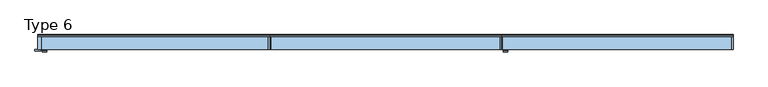
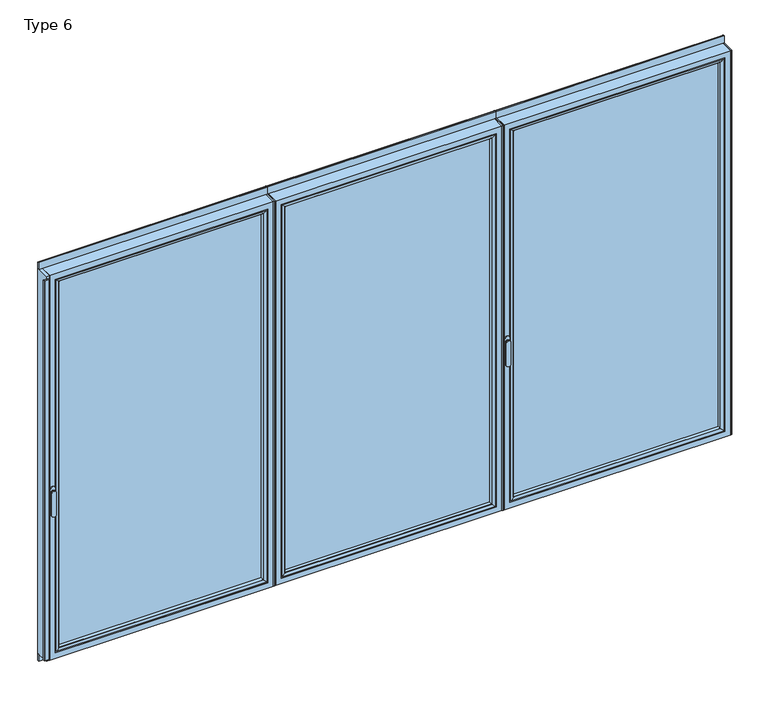
"""IFC4 building model written with IfcOpenShell, lengths in millimetres: window geometry, Type 6."""

from ifc_helpers import new_model, si_unit, point, frame, frame_2d, origin, place, context, project, spatial, polyline, circle_curve, ellipse_curve, trimmed, segment, composite_curve, outline, extrude, source, transform, mapped, element, save
from ifc_brep_helpers import plane_surface, cylinder_surface, extruded_surface, advanced_brep


def type_6_ca5c387b(model_context):
    return source(origin(), model_context, "Body", "SolidModel", [
        advanced_brep(
        [(47.9886473, -63.5, 1050.0), (24.0113857, -63.5, 1050.0), (47.9886473, -66.8965533, 1050.0), (24.0113857, -66.8965533, 1050.0), (47.9886473, -74.5, 1050.0), (24.0113857, -74.5, 1050.0), (24.0113857, -74.5, 918.6867153), (47.9886473, -74.5, 918.6867153), (47.9886473, -66.8965533, 918.6867153), (24.0113857, -66.8965533, 918.6867153)],
        [
            (0, 1, circle_curve(frame((36.0000165, -63.5, 1050.0), z_axis=(0.0, 1.0, 0.0), x_axis=(-1.0, 0.0, 0.0)), 11.9886308)),
            (1, 0, circle_curve(frame((36.0000165, -63.5, 1050.0), z_axis=(0.0, 1.0, 0.0), x_axis=(-1.0, 0.0, 0.0)), 11.9886308)),
            (0, 2),
            (2, 3, circle_curve(frame((36.0000165, -66.8965533, 1050.0), z_axis=(0.0, 1.0, 0.0), x_axis=(-1.0, 0.0, 0.0)), 11.9886308)),
            (3, 1),
            (3, 2, circle_curve(frame((36.0000165, -66.8965533, 1050.0), z_axis=(0.0, 1.0, 0.0), x_axis=(-1.0, 0.0, 0.0)), 11.9886308)),
            (4, 5, circle_curve(frame((36.0000165, -74.5, 1050.0), z_axis=(0.0, -1.0, 0.0), x_axis=(-1.0, 0.0, 0.0)), 11.9886308)),
            (5, 6),
            (6, 7, ellipse_curve(frame((36.0000165, -74.5, 918.6867153), z_axis=(0.0, -1.0, 0.0), x_axis=(1.0, 0.0, 0.0)), 11.9886308, 7.9050795)),
            (7, 4),
            (2, 8),
            (8, 9, ellipse_curve(frame((36.0000165, -66.8965533, 918.6867153), z_axis=(0.0, 1.0, 0.0), x_axis=(1.0, 0.0, 0.0)), 11.9886308, 7.9050795)),
            (9, 3),
            (7, 8),
            (2, 4),
            (6, 9),
            (5, 3),
        ],
        [
            plane_surface(frame((24.0113857, -63.5, 1050.0), z_axis=(0.0, 1.0, 0.0), x_axis=(0.0, 0.0, -1.0))),
            cylinder_surface(frame((36.0000165, -63.5, 1050.0), z_axis=(0.0, -1.0, 0.0), x_axis=(-1.0, 0.0, 0.0)), 11.9886308),
            plane_surface(frame((47.9886473, -74.5, 928.3382074), z_axis=(0.0, -1.0, 0.0), x_axis=(0.0, 0.0, -1.0))),
            plane_surface(frame((47.9886473, -66.8965533, 928.3382074), z_axis=(0.0, 1.0, 0.0), x_axis=(0.0, 0.0, 1.0))),
            plane_surface(frame((47.9886473, -74.5, 1050.0), z_axis=(1.0, 0.0, 0.0), x_axis=(0.0, 1.0, 0.0))),
            extruded_surface(trimmed(ellipse_curve(frame((36.0000165, -66.8965533, 918.6867153), z_axis=(0.0, 1.0, 0.0), x_axis=(1.0, 0.0, 0.0)), 11.9886308, 7.9050795), [point((47.9886473, -66.8965533, 918.6867153))], [point((24.0113857, -66.8965533, 918.6867153))], True, "CARTESIAN"), (0.0, 7.603446699999992, 0.0), 7.603446699999992),
            plane_surface(frame((24.0113857, -74.5, 918.6867153), z_axis=(-1.0, 0.0, 0.0), x_axis=(0.0, 1.0, 0.0))),
            cylinder_surface(frame((36.0000165, -66.8965533, 1050.0), z_axis=(0.0, -1.0, 0.0), x_axis=(-1.0, 0.0, 0.0)), 11.9886308),
        ],
        [
            (0, [[1, 2]]),
            (1, [[3, 4, 5, -1]]),
            (1, [[-5, 6, -3, -2]]),
            (2, [[7, 8, 9, 10]]),
            (3, [[-4, 11, 12, 13]]),
            (4, [[14, -11, 15, -10]]),
            (5, [[16, -12, -14, -9]]),
            (6, [[17, -13, -16, -8]]),
            (7, [[-15, -6, -17, -7]]),
        ],
    ),
        extrude(outline(composite_curve([segment(trimmed(circle_curve(frame_2d((1068.75, 36.0000165)), 14.0), [point((1068.75, 50.0000165))], [point((1068.75, 22.0000165))], False, "CARTESIAN"), True, "CONTINUOUS"), segment(polyline([(1068.75, 22.0000165), (1031.25, 22.0000165)]), True, "CONTINUOUS"), segment(trimmed(circle_curve(frame_2d((1031.25, 36.0000165)), 14.0), [point((1031.25, 22.0000165))], [point((1031.25, 50.0000165))], False, "CARTESIAN"), True, "CONTINUOUS"), segment(polyline([(1031.25, 50.0000165), (1068.75, 50.0000165)]), True, "CONTINUOUS")], self_intersect=False)), frame((0.0, -63.5, 0.0), z_axis=(0.0, 1.0, 0.0), x_axis=(0.0, 0.0, 1.0)), (0.0, 0.0, 1.0), 3.5),
        extrude(outline(composite_curve([segment(polyline([(15.5000165, -60.0), (15.5000165, -67.5)]), True, "CONTINUOUS"), segment(trimmed(circle_curve(frame_2d((13.0000165, -67.5)), 2.5), [point((15.5000165, -67.5))], [point((13.0000165, -70.0))], False, "CARTESIAN"), True, "CONTINUOUS"), segment(polyline([(13.0000165, -70.0), (-12.9999835, -70.0)]), True, "CONTINUOUS"), segment(trimmed(circle_curve(frame_2d((-12.9999835, -67.5)), 2.5), [point((-12.9999835, -70.0))], [point((-15.4999835, -67.5))], False, "CARTESIAN"), True, "CONTINUOUS"), segment(polyline([(-15.4999835, -67.5), (-15.4999835, -60.0), (15.5000165, -60.0)]), True, "CONTINUOUS")], self_intersect=False)), frame((0.0, 0.0, 80.0), z_axis=(0.0, 0.0, 1.0), x_axis=(1.0, 0.0, 0.0)), (0.0, 0.0, 1.0), 2230.0),
        extrude(outline(polyline([(1268.6666832, 20.0), (1268.6666832, -60.0), (1262.6666832, -60.0), (1262.6666832, 20.0), (1268.6666832, 20.0)])), frame((0.0, 0.0, 66.0), z_axis=(0.0, 0.0, 1.0), x_axis=(1.0, 0.0, 0.0)), (0.0, 0.0, 1.0), 2258.0),
        extrude(outline(polyline([(1.65e-05, 20.0), (20.0000165, 20.0), (20.0000165, -60.0), (1.65e-05, -60.0), (1.65e-05, 20.0)])), frame((0.0, 0.0, 66.0), z_axis=(0.0, 0.0, 1.0), x_axis=(1.0, 0.0, 0.0)), (0.0, 0.0, 1.0), 2258.0),
        advanced_brep(
        [(1262.6666832, -60.0, 2324.0), (1262.6666832, -60.0, 66.0), (1262.6666832, 20.0, 66.0), (1262.6666832, 20.0, 2324.0), (20.0000165, -60.0, 66.0), (20.0000165, 20.0, 66.0), (20.0000165, 20.0, 2324.0), (65.4996458, 20.0, 111.4996293), (1217.1670539, 20.0, 111.4996293), (1217.1670539, 20.0, 2278.5003707), (65.4996458, 20.0, 2278.5003707), (20.0000165, -60.0, 2324.0), (1230.6666832, -60.0, 98.0), (52.0000165, -60.0, 98.0), (52.0000165, -60.0, 2292.0), (1230.6666832, -60.0, 2292.0), (1230.6666832, 3.9999997, 2292.0), (1230.6666832, 3.9999997, 98.0), (52.0000165, 3.9999997, 98.0), (52.0000165, 3.9999997, 2292.0), (1212.6666712, 3.9999997, 116.000012), (70.0000285, 3.9999997, 116.000012), (70.0000285, 3.9999997, 2273.999988), (1212.6666712, 3.9999997, 2273.999988), (1212.6666712, 15.4995565, 2273.999988), (1212.6666712, 15.4995565, 116.000012), (70.0000285, 15.4995565, 116.000012), (70.0000285, 15.4995565, 2273.999988)],
        [
            (0, 1),
            (1, 2),
            (2, 3),
            (3, 0),
            (1, 4),
            (4, 5),
            (5, 2),
            (5, 6),
            (6, 3),
            (7, 8),
            (8, 9),
            (9, 10),
            (10, 7),
            (4, 11),
            (11, 6),
            (0, 11),
            (12, 13),
            (13, 14),
            (14, 15),
            (15, 12),
            (16, 17),
            (17, 12),
            (15, 16),
            (17, 18),
            (18, 13),
            (18, 19),
            (19, 14),
            (16, 19),
            (20, 21),
            (21, 22),
            (22, 23),
            (23, 20),
            (24, 25),
            (25, 20),
            (23, 24),
            (25, 26),
            (26, 21),
            (26, 27),
            (27, 22),
            (7, 26, ellipse_curve(frame((65.4996458, 15.4995565, 111.4996293), z_axis=(0.7071067811865475, 0.0, -0.7071067811865475), x_axis=(0.7071067811865476, 0.0, 0.7071067811865474)), 6.3645023, 4.5003827)),
            (25, 8, ellipse_curve(frame((1217.1670539, 15.4995565, 111.4996293), z_axis=(-0.7071067811865475, 0.0, -0.7071067811865475), x_axis=(0.7071067811865476, 0.0, -0.7071067811865474)), 6.3645023, 4.5003827)),
            (24, 9, ellipse_curve(frame((1217.1670539, 15.4995565, 2278.5003707), z_axis=(0.7071067811865475, 0.0, -0.7071067811865475), x_axis=(0.7071067811865474, 0.0, 0.7071067811865476)), 6.3645023, 4.5003827)),
            (10, 27, ellipse_curve(frame((65.4996458, 15.4995565, 2278.5003707), z_axis=(-0.7071067811865475, 0.0, -0.7071067811865475), x_axis=(0.7071067811865474, 0.0, -0.7071067811865476)), 6.3645023, 4.5003827)),
            (27, 24),
        ],
        [
            plane_surface(frame((1262.6666832, 20.0, 2324.0), z_axis=(1.0, 0.0, 0.0), x_axis=(0.0, 0.0, -1.0))),
            plane_surface(frame((1262.6666832, 20.0, 66.0), z_axis=(0.0, 0.0, -1.0), x_axis=(-1.0, 0.0, 0.0))),
            plane_surface(frame((1217.1670539, 20.0, 2278.5003707), z_axis=(0.0, 1.0, 0.0), x_axis=(0.0, 0.0, -1.0))),
            plane_surface(frame((20.0000165, 20.0, 66.0), z_axis=(-1.0, 0.0, 0.0), x_axis=(0.0, 0.0, 1.0))),
            plane_surface(frame((1262.6666832, -60.0, 2324.0), z_axis=(0.0, -1.0, 0.0), x_axis=(0.0, 0.0, -1.0))),
            plane_surface(frame((1230.6666832, -60.0, 2292.0), z_axis=(-1.0, 0.0, 0.0), x_axis=(0.0, 0.0, -1.0))),
            plane_surface(frame((1230.6666832, -60.0, 98.0), z_axis=(0.0, 0.0, 1.0), x_axis=(-1.0, 0.0, 0.0))),
            plane_surface(frame((52.0000165, -60.0, 98.0), z_axis=(1.0, 0.0, 0.0), x_axis=(0.0, 0.0, 1.0))),
            plane_surface(frame((1230.6666832, 3.9999997, 2292.0), z_axis=(0.0, -1.0, 0.0), x_axis=(0.0, 0.0, -1.0))),
            plane_surface(frame((1212.6666712, 3.9999997, 2273.999988), z_axis=(-1.0, 0.0, 0.0), x_axis=(0.0, 0.0, -1.0))),
            plane_surface(frame((1212.6666712, 3.9999997, 116.000012), z_axis=(0.0, 0.0, 1.0), x_axis=(-1.0, 0.0, 0.0))),
            plane_surface(frame((70.0000285, 3.9999997, 116.000012), z_axis=(1.0, 0.0, 0.0), x_axis=(0.0, 0.0, 1.0))),
            cylinder_surface(frame((1268.6666832, 15.4995565, 111.4996293), z_axis=(1.0, 0.0, 0.0), x_axis=(0.0, -1.0, 0.0)), 4.5003827),
            cylinder_surface(frame((1217.1670539, 15.4995565, 2330.0), z_axis=(0.0, 0.0, 1.0), x_axis=(0.0, -1.0, 0.0)), 4.5003827),
            cylinder_surface(frame((65.4996458, 15.4995565, 60.0), z_axis=(0.0, 0.0, -1.0), x_axis=(0.0, -1.0, 0.0)), 4.5003827),
            plane_surface(frame((20.0000165, 20.0, 2324.0), z_axis=(0.0, 0.0, 1.0), x_axis=(1.0, 0.0, 0.0))),
            plane_surface(frame((52.0000165, -60.0, 2292.0), z_axis=(0.0, 0.0, -1.0), x_axis=(1.0, 0.0, 0.0))),
            plane_surface(frame((70.0000285, 3.9999997, 2273.999988), z_axis=(0.0, 0.0, -1.0), x_axis=(1.0, 0.0, 0.0))),
            cylinder_surface(frame((14.0000165, 15.4995565, 2278.5003707), z_axis=(-1.0, 0.0, 0.0), x_axis=(0.0, -1.0, 0.0)), 4.5003827),
        ],
        [
            (0, [[1, 2, 3, 4]]),
            (1, [[5, 6, 7, -2]]),
            (2, [[-7, 8, 9, -3], [10, 11, 12, 13]]),
            (3, [[14, 15, -8, -6]]),
            (4, [[-5, -1, 16, -14], [17, 18, 19, 20]]),
            (5, [[21, 22, -20, 23]]),
            (6, [[24, 25, -17, -22]]),
            (7, [[26, 27, -18, -25]]),
            (8, [[-24, -21, 28, -26], [29, 30, 31, 32]]),
            (9, [[33, 34, -32, 35]]),
            (10, [[36, 37, -29, -34]]),
            (11, [[38, 39, -30, -37]]),
            (12, [[-10, 40, -36, 41]]),
            (13, [[-11, -41, -33, 42]]),
            (14, [[-13, 43, -38, -40]]),
            (15, [[-16, -4, -9, -15]]),
            (16, [[-28, -23, -19, -27]]),
            (17, [[44, -35, -31, -39]]),
            (18, [[-12, -42, -44, -43]]),
        ],
    ),
        extrude(outline(polyline([(1230.666366, 3.9999997), (1230.666366, -34.0000003), (52.0003337, -34.0000003), (52.0003337, 3.9999997), (1230.666366, 3.9999997)])), frame((0.0, 0.0, 98.0003172), z_axis=(0.0, 0.0, 1.0), x_axis=(1.0, 0.0, 0.0)), (0.0, 0.0, 1.0), 2193.9993657),
        advanced_brep(
        [(73.9999064, -54.5552044, 2270.0001101), (73.9999064, -54.5552044, 119.9998899), (73.9999064, -34.0000003, 119.9998899), (73.9999064, -34.0000003, 2270.0001101), (52.0003337, -34.0000003, 2291.9996828), (1230.666366, -34.0000003, 2291.9996828), (1230.666366, -34.0000003, 98.0003172), (52.0003337, -34.0000003, 98.0003172), (1208.6667933, -34.0000003, 2270.0001101), (1208.6667933, -34.0000003, 119.9998899), (1208.6667933, -54.5552044, 119.9998899), (73.290363, -55.8045072, 2270.7096535), (73.290363, -55.8045072, 119.2903465), (1209.3763367, -55.8045072, 119.2903465), (58.0002726, -60.0, 2285.9997439), (58.0002726, -60.0, 104.0002561), (1224.6664271, -60.0, 104.0002561), (1230.666366, -60.0, 2291.9996828), (52.0003337, -60.0, 2291.9996828), (52.0003337, -60.0, 98.0003172), (1230.666366, -60.0, 98.0003172), (1224.6664271, -60.0, 2285.9997439), (1208.6667933, -54.5552044, 2270.0001101), (1209.3763367, -55.8045072, 2270.7096535)],
        [
            (0, 1),
            (1, 2),
            (2, 3),
            (3, 0),
            (4, 5),
            (5, 6),
            (6, 7),
            (7, 4),
            (8, 3),
            (2, 9),
            (9, 8),
            (1, 10),
            (10, 9),
            (11, 12),
            (12, 1, ellipse_curve(frame((72.5453024, -54.5552044, 118.5452859), z_axis=(-0.7071067811865475, 0.0, 0.7071067811865475), x_axis=(0.7071067811865474, 0.0, 0.7071067811865476)), 2.0571207, 1.454604)),
            (0, 11, ellipse_curve(frame((72.5453024, -54.5552044, 2271.4547141), z_axis=(-0.7071067811865475, 0.0, -0.7071067811865475), x_axis=(-0.7071067811865474, 0.0, 0.7071067811865476)), 2.0571207, 1.454604)),
            (12, 13),
            (13, 10, ellipse_curve(frame((1210.1213972, -54.5552044, 118.5452859), z_axis=(-0.7071067811865475, 0.0, -0.7071067811865475), x_axis=(-0.7071067811865476, 0.0, 0.7071067811865474)), 2.0571207, 1.454604)),
            (14, 15),
            (15, 12, ellipse_curve(frame((58.0642082, -30.2735922, 104.0641917), z_axis=(-0.7071067811865475, 0.0, 0.7071067811865475), x_axis=(0.7071067811865474, 0.0, 0.7071067811865476)), 42.0395863, 29.7264765)),
            (11, 14, ellipse_curve(frame((58.0642082, -30.2735922, 2285.9358083), z_axis=(-0.7071067811865475, 0.0, -0.7071067811865475), x_axis=(-0.7071067811865474, 0.0, 0.7071067811865476)), 42.0395863, 29.7264765)),
            (15, 16),
            (16, 13, ellipse_curve(frame((1224.6024915, -30.2735922, 104.0641917), z_axis=(-0.7071067811865475, 0.0, -0.7071067811865475), x_axis=(-0.7071067811865476, 0.0, 0.7071067811865474)), 42.0395863, 29.7264765)),
            (17, 18),
            (18, 19),
            (19, 20),
            (20, 17),
            (14, 21),
            (21, 16),
            (7, 19),
            (18, 4),
            (6, 20),
            (10, 22),
            (22, 8),
            (13, 23),
            (23, 22, ellipse_curve(frame((1210.1213972, -54.5552044, 2271.4547141), z_axis=(0.7071067811865475, 0.0, -0.7071067811865475), x_axis=(-0.7071067811865474, 0.0, -0.7071067811865476)), 2.0571207, 1.454604)),
            (21, 23, ellipse_curve(frame((1224.6024915, -30.2735922, 2285.9358083), z_axis=(0.7071067811865475, 0.0, -0.7071067811865475), x_axis=(-0.7071067811865474, 0.0, -0.7071067811865476)), 42.0395863, 29.7264765)),
            (5, 17),
            (22, 0),
            (23, 11),
        ],
        [
            plane_surface(frame((73.9999064, -34.0000003, 2270.0001101), z_axis=(1.0, 0.0, 0.0), x_axis=(0.0, 0.0, -1.0))),
            plane_surface(frame((1230.666366, -34.0000003, 98.0003172), z_axis=(0.0, 1.0, 0.0), x_axis=(0.0, 0.0, 1.0))),
            plane_surface(frame((73.9999064, -34.0000003, 119.9998899), z_axis=(0.0, 0.0, 1.0), x_axis=(1.0, 0.0, 0.0))),
            cylinder_surface(frame((72.5453024, -54.5552044, 2273.999988), z_axis=(0.0, 0.0, 1.0), x_axis=(-1.0, 0.0, 0.0)), 1.454604),
            cylinder_surface(frame((70.0000285, -54.5552044, 118.5452859), z_axis=(-1.0, 0.0, 0.0), x_axis=(0.0, 0.0, -1.0)), 1.454604),
            cylinder_surface(frame((58.0642082, -30.2735922, 2273.999988), z_axis=(0.0, 0.0, 1.0), x_axis=(-1.0, 0.0, 0.0)), 29.7264765),
            cylinder_surface(frame((70.0000285, -30.2735922, 104.0641917), z_axis=(-1.0, 0.0, 0.0), x_axis=(0.0, 0.0, -1.0)), 29.7264765),
            plane_surface(frame((1224.6664271, -60.0, 104.0002561), z_axis=(0.0, -1.0, 0.0), x_axis=(0.0, 0.0, 1.0))),
            plane_surface(frame((52.0003337, -60.0, 2291.9996828), z_axis=(-1.0, 0.0, 0.0), x_axis=(0.0, 0.0, -1.0))),
            plane_surface(frame((52.0003337, -60.0, 98.0003172), z_axis=(0.0, 0.0, -1.0), x_axis=(1.0, 0.0, 0.0))),
            plane_surface(frame((1208.6667933, -34.0000003, 119.9998899), z_axis=(-1.0, 0.0, 0.0), x_axis=(0.0, 0.0, 1.0))),
            cylinder_surface(frame((1210.1213972, -54.5552044, 116.000012), z_axis=(0.0, 0.0, -1.0), x_axis=(1.0, 0.0, 0.0)), 1.454604),
            cylinder_surface(frame((1224.6024915, -30.2735922, 116.000012), z_axis=(0.0, 0.0, -1.0), x_axis=(1.0, 0.0, 0.0)), 29.7264765),
            plane_surface(frame((1230.666366, -60.0, 98.0003172), z_axis=(1.0, 0.0, 0.0), x_axis=(0.0, 0.0, 1.0))),
            plane_surface(frame((1208.6667933, -34.0000003, 2270.0001101), z_axis=(0.0, 0.0, -1.0), x_axis=(-1.0, 0.0, 0.0))),
            cylinder_surface(frame((1212.6666712, -54.5552044, 2271.4547141), z_axis=(1.0, 0.0, 0.0), x_axis=(0.0, 0.0, 1.0)), 1.454604),
            cylinder_surface(frame((1212.6666712, -30.2735922, 2285.9358083), z_axis=(1.0, 0.0, 0.0), x_axis=(0.0, 0.0, 1.0)), 29.7264765),
            plane_surface(frame((1230.666366, -60.0, 2291.9996828), z_axis=(0.0, 0.0, 1.0), x_axis=(-1.0, 0.0, 0.0))),
        ],
        [
            (0, [[1, 2, 3, 4]]),
            (1, [[5, 6, 7, 8], [9, -3, 10, 11]]),
            (2, [[12, 13, -10, -2]]),
            (3, [[14, 15, -1, 16]]),
            (4, [[17, 18, -12, -15]]),
            (5, [[19, 20, -14, 21]]),
            (6, [[22, 23, -17, -20]]),
            (7, [[24, 25, 26, 27], [28, 29, -22, -19]]),
            (8, [[-8, 30, -25, 31]]),
            (9, [[-7, 32, -26, -30]]),
            (10, [[33, 34, -11, -13]]),
            (11, [[35, 36, -33, -18]]),
            (12, [[-29, 37, -35, -23]]),
            (13, [[-6, 38, -27, -32]]),
            (14, [[39, -4, -9, -34]]),
            (15, [[40, -16, -39, -36]]),
            (16, [[-28, -21, -40, -37]]),
            (17, [[-5, -31, -24, -38]]),
        ],
    ),
        extrude(outline(composite_curve([segment(polyline([(20.0, 2362.5), (20.0, 2324.0), (10.0, 2324.0), (10.0, 2365.0), (17.5, 2365.0)]), True, "CONTINUOUS"), segment(trimmed(circle_curve(frame_2d((17.5, 2362.5)), 2.5), [point((17.5, 2365.0))], [point((20.0, 2362.5))], False, "CARTESIAN"), True, "CONTINUOUS")], self_intersect=False)), frame((1.65e-05, 0.0, 0.0), z_axis=(1.0, 0.0, 0.0), x_axis=(0.0, 1.0, 0.0)), (0.0, 0.0, 1.0), 1268.6666667),
        extrude(outline(composite_curve([segment(trimmed(circle_curve(frame_2d((17.5, 27.5)), 2.5), [point((20.0, 27.5))], [point((17.5, 25.0))], False, "CARTESIAN"), True, "CONTINUOUS"), segment(polyline([(17.5, 25.0), (10.0, 25.0), (10.0, 66.0), (20.0, 66.0), (20.0, 27.5)]), True, "CONTINUOUS")], self_intersect=False)), frame((1.65e-05, 0.0, 0.0), z_axis=(1.0, 0.0, 0.0), x_axis=(0.0, 1.0, 0.0)), (0.0, 0.0, 1.0), 1268.6666667),
        extrude(outline(polyline([(1268.6666749, 20.0), (1274.6666749, 20.0), (1274.6666749, -60.0), (1268.6666749, -60.0), (1268.6666749, 20.0)])), frame((0.0, 0.0, 66.0), z_axis=(0.0, 0.0, 1.0), x_axis=(1.0, 0.0, 0.0)), (0.0, 0.0, 1.0), 2258.0),
        extrude(outline(polyline([(2537.3333416, 20.0), (2537.3333416, -60.0), (2531.3333416, -60.0), (2531.3333416, 20.0), (2537.3333416, 20.0)])), frame((0.0, 0.0, 66.0), z_axis=(0.0, 0.0, 1.0), x_axis=(1.0, 0.0, 0.0)), (0.0, 0.0, 1.0), 2258.0),
        advanced_brep(
        [(1274.6666749, -60.0, 2324.0), (1274.6666749, 20.0, 2324.0), (1274.6666749, 20.0, 66.0), (1274.6666749, -60.0, 66.0), (2531.3333416, 20.0, 66.0), (2531.3333416, -60.0, 66.0), (2531.3333416, 20.0, 2324.0), (2485.8337123, 20.0, 111.4996293), (2485.8337123, 20.0, 2278.5003707), (1320.1663042, 20.0, 2278.5003707), (1320.1663042, 20.0, 111.4996293), (2531.3333416, -60.0, 2324.0), (1306.6666749, -60.0, 98.0), (1306.6666749, -60.0, 2292.0), (2499.3333416, -60.0, 2292.0), (2499.3333416, -60.0, 98.0), (1306.6666749, 3.9999997, 2292.0), (1306.6666749, 3.9999997, 98.0), (2499.3333416, 3.9999997, 98.0), (2499.3333416, 3.9999997, 2292.0), (1324.6666869, 3.9999997, 116.000012), (1324.6666869, 3.9999997, 2273.999988), (2481.3333296, 3.9999997, 2273.999988), (2481.3333296, 3.9999997, 116.000012), (1324.6666869, 15.4995565, 2273.999988), (1324.6666869, 15.4995565, 116.000012), (2481.3333296, 15.4995565, 116.000012), (2481.3333296, 15.4995565, 2273.999988)],
        [
            (0, 1),
            (1, 2),
            (2, 3),
            (3, 0),
            (2, 4),
            (4, 5),
            (5, 3),
            (1, 6),
            (6, 4),
            (7, 8),
            (8, 9),
            (9, 10),
            (10, 7),
            (6, 11),
            (11, 5),
            (11, 0),
            (12, 13),
            (13, 14),
            (14, 15),
            (15, 12),
            (16, 13),
            (12, 17),
            (17, 16),
            (15, 18),
            (18, 17),
            (14, 19),
            (19, 18),
            (19, 16),
            (20, 21),
            (21, 22),
            (22, 23),
            (23, 20),
            (24, 21),
            (20, 25),
            (25, 24),
            (23, 26),
            (26, 25),
            (22, 27),
            (27, 26),
            (10, 25, ellipse_curve(frame((1320.1663042, 15.4995565, 111.4996293), z_axis=(0.7071067811865475, 0.0, -0.7071067811865475), x_axis=(-0.7071067811865476, 0.0, -0.7071067811865474)), 6.3645023, 4.5003827)),
            (26, 7, ellipse_curve(frame((2485.8337123, 15.4995565, 111.4996293), z_axis=(-0.7071067811865475, 0.0, -0.7071067811865475), x_axis=(-0.7071067811865476, 0.0, 0.7071067811865474)), 6.3645023, 4.5003827)),
            (9, 24, ellipse_curve(frame((1320.1663042, 15.4995565, 2278.5003707), z_axis=(-0.7071067811865475, 0.0, -0.7071067811865475), x_axis=(-0.7071067811865474, 0.0, 0.7071067811865476)), 6.3645023, 4.5003827)),
            (27, 8, ellipse_curve(frame((2485.8337123, 15.4995565, 2278.5003707), z_axis=(0.7071067811865475, 0.0, -0.7071067811865475), x_axis=(-0.7071067811865474, 0.0, -0.7071067811865476)), 6.3645023, 4.5003827)),
            (24, 27),
        ],
        [
            plane_surface(frame((1274.6666749, 20.0, 2324.0), z_axis=(-1.0, 0.0, 0.0), x_axis=(0.0, 0.0, -1.0))),
            plane_surface(frame((1274.6666749, 20.0, 66.0), z_axis=(0.0, 0.0, -1.0), x_axis=(1.0, 0.0, 0.0))),
            plane_surface(frame((1320.1663042, 20.0, 2278.5003707), z_axis=(0.0, 1.0, 0.0), x_axis=(0.0, 0.0, -1.0))),
            plane_surface(frame((2531.3333416, 20.0, 66.0), z_axis=(1.0, 0.0, 0.0), x_axis=(0.0, 0.0, 1.0))),
            plane_surface(frame((1274.6666749, -60.0, 2324.0), z_axis=(0.0, -1.0, 0.0), x_axis=(0.0, 0.0, -1.0))),
            plane_surface(frame((1306.6666749, -60.0, 2292.0), z_axis=(1.0, 0.0, 0.0), x_axis=(0.0, 0.0, -1.0))),
            plane_surface(frame((1306.6666749, -60.0, 98.0), z_axis=(0.0, 0.0, 1.0), x_axis=(1.0, 0.0, 0.0))),
            plane_surface(frame((2499.3333416, -60.0, 98.0), z_axis=(-1.0, 0.0, 0.0), x_axis=(0.0, 0.0, 1.0))),
            plane_surface(frame((1306.6666749, 3.9999997, 2292.0), z_axis=(0.0, -1.0, 0.0), x_axis=(0.0, 0.0, -1.0))),
            plane_surface(frame((1324.6666869, 3.9999997, 2273.999988), z_axis=(1.0, 0.0, 0.0), x_axis=(0.0, 0.0, -1.0))),
            plane_surface(frame((1324.6666869, 3.9999997, 116.000012), z_axis=(0.0, 0.0, 1.0), x_axis=(1.0, 0.0, 0.0))),
            plane_surface(frame((2481.3333296, 3.9999997, 116.000012), z_axis=(-1.0, 0.0, 0.0), x_axis=(0.0, 0.0, 1.0))),
            cylinder_surface(frame((1268.6666749, 15.4995565, 111.4996293), z_axis=(-1.0, 0.0, 0.0), x_axis=(0.0, -1.0, 0.0)), 4.5003827),
            cylinder_surface(frame((1320.1663042, 15.4995565, 2330.0), z_axis=(0.0, 0.0, 1.0), x_axis=(0.0, -1.0, 0.0)), 4.5003827),
            cylinder_surface(frame((2485.8337123, 15.4995565, 60.0), z_axis=(0.0, 0.0, -1.0), x_axis=(0.0, -1.0, 0.0)), 4.5003827),
            plane_surface(frame((2531.3333416, 20.0, 2324.0), z_axis=(0.0, 0.0, 1.0), x_axis=(-1.0, 0.0, 0.0))),
            plane_surface(frame((2499.3333416, -60.0, 2292.0), z_axis=(0.0, 0.0, -1.0), x_axis=(-1.0, 0.0, 0.0))),
            plane_surface(frame((2481.3333296, 3.9999997, 2273.999988), z_axis=(0.0, 0.0, -1.0), x_axis=(-1.0, 0.0, 0.0))),
            cylinder_surface(frame((2537.3333416, 15.4995565, 2278.5003707), z_axis=(1.0, 0.0, 0.0), x_axis=(0.0, -1.0, 0.0)), 4.5003827),
        ],
        [
            (0, [[1, 2, 3, 4]]),
            (1, [[-3, 5, 6, 7]]),
            (2, [[-2, 8, 9, -5], [10, 11, 12, 13]]),
            (3, [[-6, -9, 14, 15]]),
            (4, [[-15, 16, -4, -7], [17, 18, 19, 20]]),
            (5, [[21, -17, 22, 23]]),
            (6, [[-22, -20, 24, 25]]),
            (7, [[-24, -19, 26, 27]]),
            (8, [[-27, 28, -23, -25], [29, 30, 31, 32]]),
            (9, [[33, -29, 34, 35]]),
            (10, [[-34, -32, 36, 37]]),
            (11, [[-36, -31, 38, 39]]),
            (12, [[40, -37, 41, -13]]),
            (13, [[42, -35, -40, -12]]),
            (14, [[-41, -39, 43, -10]]),
            (15, [[-14, -8, -1, -16]]),
            (16, [[-26, -18, -21, -28]]),
            (17, [[-38, -30, -33, 44]]),
            (18, [[-43, -44, -42, -11]]),
        ],
    ),
        extrude(outline(polyline([(1306.6669921, 3.9999997), (2499.3330244, 3.9999997), (2499.3330244, -34.0000003), (1306.6669921, -34.0000003), (1306.6669921, 3.9999997)])), frame((0.0, 0.0, 98.0003172), z_axis=(0.0, 0.0, 1.0), x_axis=(1.0, 0.0, 0.0)), (0.0, 0.0, 1.0), 2193.9993657),
        advanced_brep(
        [(2477.3334517, -54.5552044, 2270.0001101), (2477.3334517, -34.0000003, 2270.0001101), (2477.3334517, -34.0000003, 119.9998899), (2477.3334517, -54.5552044, 119.9998899), (2499.3330244, -34.0000003, 2291.9996828), (2499.3330244, -34.0000003, 98.0003172), (1306.6669921, -34.0000003, 98.0003172), (1306.6669921, -34.0000003, 2291.9996828), (1328.6665648, -34.0000003, 2270.0001101), (1328.6665648, -34.0000003, 119.9998899), (1328.6665648, -54.5552044, 119.9998899), (2478.0429951, -55.8045072, 2270.7096535), (2478.0429951, -55.8045072, 119.2903465), (1327.9570214, -55.8045072, 119.2903465), (2493.3330855, -60.0, 2285.9997439), (2493.3330855, -60.0, 104.0002561), (1312.666931, -60.0, 104.0002561), (1306.6669921, -60.0, 2291.9996828), (1306.6669921, -60.0, 98.0003172), (2499.3330244, -60.0, 98.0003172), (2499.3330244, -60.0, 2291.9996828), (1312.666931, -60.0, 2285.9997439), (1328.6665648, -54.5552044, 2270.0001101), (1327.9570214, -55.8045072, 2270.7096535)],
        [
            (0, 1),
            (1, 2),
            (2, 3),
            (3, 0),
            (4, 5),
            (5, 6),
            (6, 7),
            (7, 4),
            (8, 9),
            (9, 2),
            (1, 8),
            (9, 10),
            (10, 3),
            (11, 0, ellipse_curve(frame((2478.7880557, -54.5552044, 2271.4547141), z_axis=(0.7071067811865475, 0.0, -0.7071067811865475), x_axis=(0.7071067811865474, 0.0, 0.7071067811865476)), 2.0571207, 1.454604)),
            (3, 12, ellipse_curve(frame((2478.7880557, -54.5552044, 118.5452859), z_axis=(0.7071067811865475, 0.0, 0.7071067811865475), x_axis=(-0.7071067811865474, 0.0, 0.7071067811865476)), 2.0571207, 1.454604)),
            (12, 11),
            (10, 13, ellipse_curve(frame((1327.2119609, -54.5552044, 118.5452859), z_axis=(0.7071067811865475, 0.0, -0.7071067811865475), x_axis=(0.7071067811865476, 0.0, 0.7071067811865474)), 2.0571207, 1.454604)),
            (13, 12),
            (14, 11, ellipse_curve(frame((2493.2691499, -30.2735922, 2285.9358083), z_axis=(0.7071067811865475, 0.0, -0.7071067811865475), x_axis=(0.7071067811865474, 0.0, 0.7071067811865476)), 42.0395863, 29.7264765)),
            (12, 15, ellipse_curve(frame((2493.2691499, -30.2735922, 104.0641917), z_axis=(0.7071067811865475, 0.0, 0.7071067811865475), x_axis=(-0.7071067811865474, 0.0, 0.7071067811865476)), 42.0395863, 29.7264765)),
            (15, 14),
            (13, 16, ellipse_curve(frame((1312.7308666, -30.2735922, 104.0641917), z_axis=(0.7071067811865475, 0.0, -0.7071067811865475), x_axis=(0.7071067811865476, 0.0, 0.7071067811865474)), 42.0395863, 29.7264765)),
            (16, 15),
            (17, 18),
            (18, 19),
            (19, 20),
            (20, 17),
            (16, 21),
            (21, 14),
            (4, 20),
            (19, 5),
            (18, 6),
            (8, 22),
            (22, 10),
            (22, 23, ellipse_curve(frame((1327.2119609, -54.5552044, 2271.4547141), z_axis=(-0.7071067811865475, 0.0, -0.7071067811865475), x_axis=(0.7071067811865474, 0.0, -0.7071067811865476)), 2.0571207, 1.454604)),
            (23, 13),
            (23, 21, ellipse_curve(frame((1312.7308666, -30.2735922, 2285.9358083), z_axis=(-0.7071067811865475, 0.0, -0.7071067811865475), x_axis=(0.7071067811865474, 0.0, -0.7071067811865476)), 42.0395863, 29.7264765)),
            (17, 7),
            (0, 22),
            (11, 23),
        ],
        [
            plane_surface(frame((2477.3334517, -34.0000003, 2270.0001101), z_axis=(-1.0, 0.0, 0.0), x_axis=(0.0, 0.0, -1.0))),
            plane_surface(frame((1306.6669921, -34.0000003, 98.0003172), z_axis=(0.0, 1.0, 0.0), x_axis=(0.0, 0.0, 1.0))),
            plane_surface(frame((2477.3334517, -34.0000003, 119.9998899), z_axis=(0.0, 0.0, 1.0), x_axis=(-1.0, 0.0, 0.0))),
            cylinder_surface(frame((2478.7880557, -54.5552044, 2273.999988), z_axis=(0.0, 0.0, 1.0), x_axis=(1.0, 0.0, 0.0)), 1.454604),
            cylinder_surface(frame((2481.3333296, -54.5552044, 118.5452859), z_axis=(1.0, 0.0, 0.0), x_axis=(0.0, 0.0, -1.0)), 1.454604),
            cylinder_surface(frame((2493.2691499, -30.2735922, 2273.999988), z_axis=(0.0, 0.0, 1.0), x_axis=(1.0, 0.0, 0.0)), 29.7264765),
            cylinder_surface(frame((2481.3333296, -30.2735922, 104.0641917), z_axis=(1.0, 0.0, 0.0), x_axis=(0.0, 0.0, -1.0)), 29.7264765),
            plane_surface(frame((1312.666931, -60.0, 104.0002561), z_axis=(0.0, -1.0, 0.0), x_axis=(0.0, 0.0, 1.0))),
            plane_surface(frame((2499.3330244, -60.0, 2291.9996828), z_axis=(1.0, 0.0, 0.0), x_axis=(0.0, 0.0, -1.0))),
            plane_surface(frame((2499.3330244, -60.0, 98.0003172), z_axis=(0.0, 0.0, -1.0), x_axis=(-1.0, 0.0, 0.0))),
            plane_surface(frame((1328.6665648, -34.0000003, 119.9998899), z_axis=(1.0, 0.0, 0.0), x_axis=(0.0, 0.0, 1.0))),
            cylinder_surface(frame((1327.2119609, -54.5552044, 116.000012), z_axis=(0.0, 0.0, -1.0), x_axis=(-1.0, 0.0, 0.0)), 1.454604),
            cylinder_surface(frame((1312.7308666, -30.2735922, 116.000012), z_axis=(0.0, 0.0, -1.0), x_axis=(-1.0, 0.0, 0.0)), 29.7264765),
            plane_surface(frame((1306.6669921, -60.0, 98.0003172), z_axis=(-1.0, 0.0, 0.0), x_axis=(0.0, 0.0, 1.0))),
            plane_surface(frame((1328.6665648, -34.0000003, 2270.0001101), z_axis=(0.0, 0.0, -1.0), x_axis=(1.0, 0.0, 0.0))),
            cylinder_surface(frame((1324.6666869, -54.5552044, 2271.4547141), z_axis=(-1.0, 0.0, 0.0), x_axis=(0.0, 0.0, 1.0)), 1.454604),
            cylinder_surface(frame((1324.6666869, -30.2735922, 2285.9358083), z_axis=(-1.0, 0.0, 0.0), x_axis=(0.0, 0.0, 1.0)), 29.7264765),
            plane_surface(frame((1306.6669921, -60.0, 2291.9996828), z_axis=(0.0, 0.0, 1.0), x_axis=(1.0, 0.0, 0.0))),
        ],
        [
            (0, [[1, 2, 3, 4]]),
            (1, [[5, 6, 7, 8], [9, 10, -2, 11]]),
            (2, [[-3, -10, 12, 13]]),
            (3, [[14, -4, 15, 16]]),
            (4, [[-15, -13, 17, 18]]),
            (5, [[19, -16, 20, 21]]),
            (6, [[-20, -18, 22, 23]]),
            (7, [[24, 25, 26, 27], [-21, -23, 28, 29]]),
            (8, [[30, -26, 31, -5]]),
            (9, [[-31, -25, 32, -6]]),
            (10, [[-12, -9, 33, 34]]),
            (11, [[-17, -34, 35, 36]]),
            (12, [[-22, -36, 37, -28]]),
            (13, [[-32, -24, 38, -7]]),
            (14, [[-33, -11, -1, 39]]),
            (15, [[-35, -39, -14, 40]]),
            (16, [[-37, -40, -19, -29]]),
            (17, [[-38, -27, -30, -8]]),
        ],
    ),
        extrude(outline(composite_curve([segment(polyline([(20.0, 2362.5), (20.0, 2324.0), (10.0, 2324.0), (10.0, 2365.0), (17.5, 2365.0)]), True, "CONTINUOUS"), segment(trimmed(circle_curve(frame_2d((17.5, 2362.5)), 2.5), [point((17.5, 2365.0))], [point((20.0, 2362.5))], False, "CARTESIAN"), True, "CONTINUOUS")], self_intersect=False)), frame((1268.6666749, 0.0, 0.0), z_axis=(1.0, 0.0, 0.0), x_axis=(0.0, 1.0, 0.0)), (0.0, 0.0, 1.0), 1268.6666667),
        extrude(outline(composite_curve([segment(trimmed(circle_curve(frame_2d((17.5, 27.5)), 2.5), [point((20.0, 27.5))], [point((17.5, 25.0))], False, "CARTESIAN"), True, "CONTINUOUS"), segment(polyline([(17.5, 25.0), (10.0, 25.0), (10.0, 66.0), (20.0, 66.0), (20.0, 27.5)]), True, "CONTINUOUS")], self_intersect=False)), frame((1268.6666749, 0.0, 0.0), z_axis=(1.0, 0.0, 0.0), x_axis=(0.0, 1.0, 0.0)), (0.0, 0.0, 1.0), 1268.6666667),
        advanced_brep(
        [(2571.3219641, -63.5, 1050.0), (2547.3447025, -63.5, 1050.0), (2571.3219641, -66.8965533, 1050.0), (2547.3447025, -66.8965533, 1050.0), (2571.3219641, -74.5, 1050.0), (2547.3447025, -74.5, 1050.0), (2547.3447025, -74.5, 918.6867153), (2571.3219641, -74.5, 918.6867153), (2571.3219641, -66.8965533, 918.6867153), (2547.3447025, -66.8965533, 918.6867153)],
        [
            (0, 1, circle_curve(frame((2559.3333333, -63.5, 1050.0), z_axis=(0.0, 1.0, 0.0), x_axis=(-1.0, 0.0, 0.0)), 11.9886308)),
            (1, 0, circle_curve(frame((2559.3333333, -63.5, 1050.0), z_axis=(0.0, 1.0, 0.0), x_axis=(-1.0, 0.0, 0.0)), 11.9886308)),
            (0, 2),
            (2, 3, circle_curve(frame((2559.3333333, -66.8965533, 1050.0), z_axis=(0.0, 1.0, 0.0), x_axis=(-1.0, 0.0, 0.0)), 11.9886308)),
            (3, 1),
            (3, 2, circle_curve(frame((2559.3333333, -66.8965533, 1050.0), z_axis=(0.0, 1.0, 0.0), x_axis=(-1.0, 0.0, 0.0)), 11.9886308)),
            (4, 5, circle_curve(frame((2559.3333333, -74.5, 1050.0), z_axis=(0.0, -1.0, 0.0), x_axis=(-1.0, 0.0, 0.0)), 11.9886308)),
            (5, 6),
            (6, 7, ellipse_curve(frame((2559.3333333, -74.5, 918.6867153), z_axis=(0.0, -1.0, 0.0), x_axis=(1.0, 0.0, 0.0)), 11.9886308, 7.9050795)),
            (7, 4),
            (2, 8),
            (8, 9, ellipse_curve(frame((2559.3333333, -66.8965533, 918.6867153), z_axis=(0.0, 1.0, 0.0), x_axis=(1.0, 0.0, 0.0)), 11.9886308, 7.9050795)),
            (9, 3),
            (7, 8),
            (2, 4),
            (6, 9),
            (5, 3),
        ],
        [
            plane_surface(frame((2547.3447025, -63.5, 1050.0), z_axis=(0.0, 1.0, 0.0), x_axis=(0.0, 0.0, -1.0))),
            cylinder_surface(frame((2559.3333333, -63.5, 1050.0), z_axis=(0.0, -1.0, 0.0), x_axis=(-1.0, 0.0, 0.0)), 11.9886308),
            plane_surface(frame((2571.3219641, -74.5, 928.3382074), z_axis=(0.0, -1.0, 0.0), x_axis=(0.0, 0.0, -1.0))),
            plane_surface(frame((2571.3219641, -66.8965533, 928.3382074), z_axis=(0.0, 1.0, 0.0), x_axis=(0.0, 0.0, 1.0))),
            plane_surface(frame((2571.3219641, -74.5, 1050.0), z_axis=(1.0, 0.0, 0.0), x_axis=(0.0, 1.0, 0.0))),
            extruded_surface(trimmed(ellipse_curve(frame((2559.3333333, -66.8965533, 918.6867153), z_axis=(0.0, 1.0, 0.0), x_axis=(1.0, 0.0, 0.0)), 11.9886308, 7.9050795), [point((2571.3219641, -66.8965533, 918.6867153))], [point((2547.3447025, -66.8965533, 918.6867153))], True, "CARTESIAN"), (0.0, 7.603446699999992, 0.0), 7.603446699999992),
            plane_surface(frame((2547.3447025, -74.5, 918.6867153), z_axis=(-1.0, 0.0, 0.0), x_axis=(0.0, 1.0, 0.0))),
            cylinder_surface(frame((2559.3333333, -66.8965533, 1050.0), z_axis=(0.0, -1.0, 0.0), x_axis=(-1.0, 0.0, 0.0)), 11.9886308),
        ],
        [
            (0, [[1, 2]]),
            (1, [[3, 4, 5, -1]]),
            (1, [[-5, 6, -3, -2]]),
            (2, [[7, 8, 9, 10]]),
            (3, [[-4, 11, 12, 13]]),
            (4, [[14, -11, 15, -10]]),
            (5, [[16, -12, -14, -9]]),
            (6, [[17, -13, -16, -8]]),
            (7, [[-15, -6, -17, -7]]),
        ],
    ),
        extrude(outline(composite_curve([segment(trimmed(circle_curve(frame_2d((1068.75, 2559.3333333)), 14.0), [point((1068.75, 2573.3333333))], [point((1068.75, 2545.3333333))], False, "CARTESIAN"), True, "CONTINUOUS"), segment(polyline([(1068.75, 2545.3333333), (1031.25, 2545.3333333)]), True, "CONTINUOUS"), segment(trimmed(circle_curve(frame_2d((1031.25, 2559.3333333)), 14.0), [point((1031.25, 2545.3333333))], [point((1031.25, 2573.3333333))], False, "CARTESIAN"), True, "CONTINUOUS"), segment(polyline([(1031.25, 2573.3333333), (1068.75, 2573.3333333)]), True, "CONTINUOUS")], self_intersect=False)), frame((0.0, -63.5, 0.0), z_axis=(0.0, 1.0, 0.0), x_axis=(0.0, 0.0, 1.0)), (0.0, 0.0, 1.0), 3.5),
        extrude(outline(polyline([(3806.0, 20.0), (3806.0, -60.0), (3800.0, -60.0), (3800.0, 20.0), (3806.0, 20.0)])), frame((0.0, 0.0, 66.0), z_axis=(0.0, 0.0, 1.0), x_axis=(1.0, 0.0, 0.0)), (0.0, 0.0, 1.0), 2258.0),
        extrude(outline(polyline([(2537.3333333, 20.0), (2543.3333333, 20.0), (2543.3333333, -60.0), (2537.3333333, -60.0), (2537.3333333, 20.0)])), frame((0.0, 0.0, 66.0), z_axis=(0.0, 0.0, 1.0), x_axis=(1.0, 0.0, 0.0)), (0.0, 0.0, 1.0), 2258.0),
        advanced_brep(
        [(3800.0, -60.0, 2324.0), (3800.0, -60.0, 66.0), (3800.0, 20.0, 66.0), (3800.0, 20.0, 2324.0), (2543.3333333, -60.0, 66.0), (2543.3333333, 20.0, 66.0), (2543.3333333, 20.0, 2324.0), (2588.8329626, 20.0, 111.4996293), (3754.5003707, 20.0, 111.4996293), (3754.5003707, 20.0, 2278.5003707), (2588.8329626, 20.0, 2278.5003707), (2543.3333333, -60.0, 2324.0), (3768.0, -60.0, 98.0), (2575.3333333, -60.0, 98.0), (2575.3333333, -60.0, 2292.0), (3768.0, -60.0, 2292.0), (3768.0, 3.9999997, 2292.0), (3768.0, 3.9999997, 98.0), (2575.3333333, 3.9999997, 98.0), (2575.3333333, 3.9999997, 2292.0), (3749.999988, 3.9999997, 116.000012), (2593.3333453, 3.9999997, 116.000012), (2593.3333453, 3.9999997, 2273.999988), (3749.999988, 3.9999997, 2273.999988), (3749.999988, 15.4995565, 2273.999988), (3749.999988, 15.4995565, 116.000012), (2593.3333453, 15.4995565, 116.000012), (2593.3333453, 15.4995565, 2273.999988)],
        [
            (0, 1),
            (1, 2),
            (2, 3),
            (3, 0),
            (1, 4),
            (4, 5),
            (5, 2),
            (5, 6),
            (6, 3),
            (7, 8),
            (8, 9),
            (9, 10),
            (10, 7),
            (4, 11),
            (11, 6),
            (0, 11),
            (12, 13),
            (13, 14),
            (14, 15),
            (15, 12),
            (16, 17),
            (17, 12),
            (15, 16),
            (17, 18),
            (18, 13),
            (18, 19),
            (19, 14),
            (16, 19),
            (20, 21),
            (21, 22),
            (22, 23),
            (23, 20),
            (24, 25),
            (25, 20),
            (23, 24),
            (25, 26),
            (26, 21),
            (26, 27),
            (27, 22),
            (7, 26, ellipse_curve(frame((2588.8329626, 15.4995565, 111.4996293), z_axis=(0.7071067811865475, 0.0, -0.7071067811865475), x_axis=(0.7071067811865476, 0.0, 0.7071067811865474)), 6.3645023, 4.5003827)),
            (25, 8, ellipse_curve(frame((3754.5003707, 15.4995565, 111.4996293), z_axis=(-0.7071067811865475, 0.0, -0.7071067811865475), x_axis=(0.7071067811865476, 0.0, -0.7071067811865474)), 6.3645023, 4.5003827)),
            (24, 9, ellipse_curve(frame((3754.5003707, 15.4995565, 2278.5003707), z_axis=(0.7071067811865475, 0.0, -0.7071067811865475), x_axis=(0.7071067811865474, 0.0, 0.7071067811865476)), 6.3645023, 4.5003827)),
            (10, 27, ellipse_curve(frame((2588.8329626, 15.4995565, 2278.5003707), z_axis=(-0.7071067811865475, 0.0, -0.7071067811865475), x_axis=(0.7071067811865474, 0.0, -0.7071067811865476)), 6.3645023, 4.5003827)),
            (27, 24),
        ],
        [
            plane_surface(frame((3800.0, 20.0, 2324.0), z_axis=(1.0, 0.0, 0.0), x_axis=(0.0, 0.0, -1.0))),
            plane_surface(frame((3800.0, 20.0, 66.0), z_axis=(0.0, 0.0, -1.0), x_axis=(-1.0, 0.0, 0.0))),
            plane_surface(frame((3754.5003707, 20.0, 2278.5003707), z_axis=(0.0, 1.0, 0.0), x_axis=(0.0, 0.0, -1.0))),
            plane_surface(frame((2543.3333333, 20.0, 66.0), z_axis=(-1.0, 0.0, 0.0), x_axis=(0.0, 0.0, 1.0))),
            plane_surface(frame((3800.0, -60.0, 2324.0), z_axis=(0.0, -1.0, 0.0), x_axis=(0.0, 0.0, -1.0))),
            plane_surface(frame((3768.0, -60.0, 2292.0), z_axis=(-1.0, 0.0, 0.0), x_axis=(0.0, 0.0, -1.0))),
            plane_surface(frame((3768.0, -60.0, 98.0), z_axis=(0.0, 0.0, 1.0), x_axis=(-1.0, 0.0, 0.0))),
            plane_surface(frame((2575.3333333, -60.0, 98.0), z_axis=(1.0, 0.0, 0.0), x_axis=(0.0, 0.0, 1.0))),
            plane_surface(frame((3768.0, 3.9999997, 2292.0), z_axis=(0.0, -1.0, 0.0), x_axis=(0.0, 0.0, -1.0))),
            plane_surface(frame((3749.999988, 3.9999997, 2273.999988), z_axis=(-1.0, 0.0, 0.0), x_axis=(0.0, 0.0, -1.0))),
            plane_surface(frame((3749.999988, 3.9999997, 116.000012), z_axis=(0.0, 0.0, 1.0), x_axis=(-1.0, 0.0, 0.0))),
            plane_surface(frame((2593.3333453, 3.9999997, 116.000012), z_axis=(1.0, 0.0, 0.0), x_axis=(0.0, 0.0, 1.0))),
            cylinder_surface(frame((3806.0, 15.4995565, 111.4996293), z_axis=(1.0, 0.0, 0.0), x_axis=(0.0, -1.0, 0.0)), 4.5003827),
            cylinder_surface(frame((3754.5003707, 15.4995565, 2330.0), z_axis=(0.0, 0.0, 1.0), x_axis=(0.0, -1.0, 0.0)), 4.5003827),
            cylinder_surface(frame((2588.8329626, 15.4995565, 60.0), z_axis=(0.0, 0.0, -1.0), x_axis=(0.0, -1.0, 0.0)), 4.5003827),
            plane_surface(frame((2543.3333333, 20.0, 2324.0), z_axis=(0.0, 0.0, 1.0), x_axis=(1.0, 0.0, 0.0))),
            plane_surface(frame((2575.3333333, -60.0, 2292.0), z_axis=(0.0, 0.0, -1.0), x_axis=(1.0, 0.0, 0.0))),
            plane_surface(frame((2593.3333453, 3.9999997, 2273.999988), z_axis=(0.0, 0.0, -1.0), x_axis=(1.0, 0.0, 0.0))),
            cylinder_surface(frame((2537.3333333, 15.4995565, 2278.5003707), z_axis=(-1.0, 0.0, 0.0), x_axis=(0.0, -1.0, 0.0)), 4.5003827),
        ],
        [
            (0, [[1, 2, 3, 4]]),
            (1, [[5, 6, 7, -2]]),
            (2, [[-7, 8, 9, -3], [10, 11, 12, 13]]),
            (3, [[14, 15, -8, -6]]),
            (4, [[-5, -1, 16, -14], [17, 18, 19, 20]]),
            (5, [[21, 22, -20, 23]]),
            (6, [[24, 25, -17, -22]]),
            (7, [[26, 27, -18, -25]]),
            (8, [[-24, -21, 28, -26], [29, 30, 31, 32]]),
            (9, [[33, 34, -32, 35]]),
            (10, [[36, 37, -29, -34]]),
            (11, [[38, 39, -30, -37]]),
            (12, [[-10, 40, -36, 41]]),
            (13, [[-11, -41, -33, 42]]),
            (14, [[-13, 43, -38, -40]]),
            (15, [[-16, -4, -9, -15]]),
            (16, [[-28, -23, -19, -27]]),
            (17, [[44, -35, -31, -39]]),
            (18, [[-12, -42, -44, -43]]),
        ],
    ),
        extrude(outline(polyline([(3767.9996828, 3.9999997), (3767.9996828, -34.0000003), (2575.3336505, -34.0000003), (2575.3336505, 3.9999997), (3767.9996828, 3.9999997)])), frame((0.0, 0.0, 98.0003172), z_axis=(0.0, 0.0, 1.0), x_axis=(1.0, 0.0, 0.0)), (0.0, 0.0, 1.0), 2193.9993657),
        advanced_brep(
        [(2597.3332232, -54.5552044, 2270.0001101), (2597.3332232, -54.5552044, 119.9998899), (2597.3332232, -34.0000003, 119.9998899), (2597.3332232, -34.0000003, 2270.0001101), (2575.3336505, -34.0000003, 2291.9996828), (3767.9996828, -34.0000003, 2291.9996828), (3767.9996828, -34.0000003, 98.0003172), (2575.3336505, -34.0000003, 98.0003172), (3746.0001101, -34.0000003, 2270.0001101), (3746.0001101, -34.0000003, 119.9998899), (3746.0001101, -54.5552044, 119.9998899), (2596.6236798, -55.8045072, 2270.7096535), (2596.6236798, -55.8045072, 119.2903465), (3746.7096535, -55.8045072, 119.2903465), (2581.3335894, -60.0, 2285.9997439), (2581.3335894, -60.0, 104.0002561), (3761.9997439, -60.0, 104.0002561), (3767.9996828, -60.0, 2291.9996828), (2575.3336505, -60.0, 2291.9996828), (2575.3336505, -60.0, 98.0003172), (3767.9996828, -60.0, 98.0003172), (3761.9997439, -60.0, 2285.9997439), (3746.0001101, -54.5552044, 2270.0001101), (3746.7096535, -55.8045072, 2270.7096535)],
        [
            (0, 1),
            (1, 2),
            (2, 3),
            (3, 0),
            (4, 5),
            (5, 6),
            (6, 7),
            (7, 4),
            (8, 3),
            (2, 9),
            (9, 8),
            (1, 10),
            (10, 9),
            (11, 12),
            (12, 1, ellipse_curve(frame((2595.8786193, -54.5552044, 118.5452859), z_axis=(-0.7071067811865475, 0.0, 0.7071067811865475), x_axis=(0.7071067811865474, 0.0, 0.7071067811865476)), 2.0571207, 1.454604)),
            (0, 11, ellipse_curve(frame((2595.8786193, -54.5552044, 2271.4547141), z_axis=(-0.7071067811865475, 0.0, -0.7071067811865475), x_axis=(-0.7071067811865474, 0.0, 0.7071067811865476)), 2.0571207, 1.454604)),
            (12, 13),
            (13, 10, ellipse_curve(frame((3747.4547141, -54.5552044, 118.5452859), z_axis=(-0.7071067811865475, 0.0, -0.7071067811865475), x_axis=(-0.7071067811865476, 0.0, 0.7071067811865474)), 2.0571207, 1.454604)),
            (14, 15),
            (15, 12, ellipse_curve(frame((2581.397525, -30.2735922, 104.0641917), z_axis=(-0.7071067811865475, 0.0, 0.7071067811865475), x_axis=(0.7071067811865474, 0.0, 0.7071067811865476)), 42.0395863, 29.7264765)),
            (11, 14, ellipse_curve(frame((2581.397525, -30.2735922, 2285.9358083), z_axis=(-0.7071067811865475, 0.0, -0.7071067811865475), x_axis=(-0.7071067811865474, 0.0, 0.7071067811865476)), 42.0395863, 29.7264765)),
            (15, 16),
            (16, 13, ellipse_curve(frame((3761.9358083, -30.2735922, 104.0641917), z_axis=(-0.7071067811865475, 0.0, -0.7071067811865475), x_axis=(-0.7071067811865476, 0.0, 0.7071067811865474)), 42.0395863, 29.7264765)),
            (17, 18),
            (18, 19),
            (19, 20),
            (20, 17),
            (14, 21),
            (21, 16),
            (7, 19),
            (18, 4),
            (6, 20),
            (10, 22),
            (22, 8),
            (13, 23),
            (23, 22, ellipse_curve(frame((3747.4547141, -54.5552044, 2271.4547141), z_axis=(0.7071067811865475, 0.0, -0.7071067811865475), x_axis=(-0.7071067811865474, 0.0, -0.7071067811865476)), 2.0571207, 1.454604)),
            (21, 23, ellipse_curve(frame((3761.9358083, -30.2735922, 2285.9358083), z_axis=(0.7071067811865475, 0.0, -0.7071067811865475), x_axis=(-0.7071067811865474, 0.0, -0.7071067811865476)), 42.0395863, 29.7264765)),
            (5, 17),
            (22, 0),
            (23, 11),
        ],
        [
            plane_surface(frame((2597.3332232, -34.0000003, 2270.0001101), z_axis=(1.0, 0.0, 0.0), x_axis=(0.0, 0.0, -1.0))),
            plane_surface(frame((3767.9996828, -34.0000003, 98.0003172), z_axis=(0.0, 1.0, 0.0), x_axis=(0.0, 0.0, 1.0))),
            plane_surface(frame((2597.3332232, -34.0000003, 119.9998899), z_axis=(0.0, 0.0, 1.0), x_axis=(1.0, 0.0, 0.0))),
            cylinder_surface(frame((2595.8786193, -54.5552044, 2273.999988), z_axis=(0.0, 0.0, 1.0), x_axis=(-1.0, 0.0, 0.0)), 1.454604),
            cylinder_surface(frame((2593.3333453, -54.5552044, 118.5452859), z_axis=(-1.0, 0.0, 0.0), x_axis=(0.0, 0.0, -1.0)), 1.454604),
            cylinder_surface(frame((2581.397525, -30.2735922, 2273.999988), z_axis=(0.0, 0.0, 1.0), x_axis=(-1.0, 0.0, 0.0)), 29.7264765),
            cylinder_surface(frame((2593.3333453, -30.2735922, 104.0641917), z_axis=(-1.0, 0.0, 0.0), x_axis=(0.0, 0.0, -1.0)), 29.7264765),
            plane_surface(frame((3761.9997439, -60.0, 104.0002561), z_axis=(0.0, -1.0, 0.0), x_axis=(0.0, 0.0, 1.0))),
            plane_surface(frame((2575.3336505, -60.0, 2291.9996828), z_axis=(-1.0, 0.0, 0.0), x_axis=(0.0, 0.0, -1.0))),
            plane_surface(frame((2575.3336505, -60.0, 98.0003172), z_axis=(0.0, 0.0, -1.0), x_axis=(1.0, 0.0, 0.0))),
            plane_surface(frame((3746.0001101, -34.0000003, 119.9998899), z_axis=(-1.0, 0.0, 0.0), x_axis=(0.0, 0.0, 1.0))),
            cylinder_surface(frame((3747.4547141, -54.5552044, 116.000012), z_axis=(0.0, 0.0, -1.0), x_axis=(1.0, 0.0, 0.0)), 1.454604),
            cylinder_surface(frame((3761.9358083, -30.2735922, 116.000012), z_axis=(0.0, 0.0, -1.0), x_axis=(1.0, 0.0, 0.0)), 29.7264765),
            plane_surface(frame((3767.9996828, -60.0, 98.0003172), z_axis=(1.0, 0.0, 0.0), x_axis=(0.0, 0.0, 1.0))),
            plane_surface(frame((3746.0001101, -34.0000003, 2270.0001101), z_axis=(0.0, 0.0, -1.0), x_axis=(-1.0, 0.0, 0.0))),
            cylinder_surface(frame((3749.999988, -54.5552044, 2271.4547141), z_axis=(1.0, 0.0, 0.0), x_axis=(0.0, 0.0, 1.0)), 1.454604),
            cylinder_surface(frame((3749.999988, -30.2735922, 2285.9358083), z_axis=(1.0, 0.0, 0.0), x_axis=(0.0, 0.0, 1.0)), 29.7264765),
            plane_surface(frame((3767.9996828, -60.0, 2291.9996828), z_axis=(0.0, 0.0, 1.0), x_axis=(-1.0, 0.0, 0.0))),
        ],
        [
            (0, [[1, 2, 3, 4]]),
            (1, [[5, 6, 7, 8], [9, -3, 10, 11]]),
            (2, [[12, 13, -10, -2]]),
            (3, [[14, 15, -1, 16]]),
            (4, [[17, 18, -12, -15]]),
            (5, [[19, 20, -14, 21]]),
            (6, [[22, 23, -17, -20]]),
            (7, [[24, 25, 26, 27], [28, 29, -22, -19]]),
            (8, [[-8, 30, -25, 31]]),
            (9, [[-7, 32, -26, -30]]),
            (10, [[33, 34, -11, -13]]),
            (11, [[35, 36, -33, -18]]),
            (12, [[-29, 37, -35, -23]]),
            (13, [[-6, 38, -27, -32]]),
            (14, [[39, -4, -9, -34]]),
            (15, [[40, -16, -39, -36]]),
            (16, [[-28, -21, -40, -37]]),
            (17, [[-5, -31, -24, -38]]),
        ],
    ),
        extrude(outline(composite_curve([segment(polyline([(20.0, 2362.5), (20.0, 2324.0), (10.0, 2324.0), (10.0, 2365.0), (17.5, 2365.0)]), True, "CONTINUOUS"), segment(trimmed(circle_curve(frame_2d((17.5, 2362.5)), 2.5), [point((17.5, 2365.0))], [point((20.0, 2362.5))], False, "CARTESIAN"), True, "CONTINUOUS")], self_intersect=False)), frame((2537.3333333, 0.0, 0.0), z_axis=(1.0, 0.0, 0.0), x_axis=(0.0, 1.0, 0.0)), (0.0, 0.0, 1.0), 1268.6666667),
        extrude(outline(composite_curve([segment(trimmed(circle_curve(frame_2d((17.5, 27.5)), 2.5), [point((20.0, 27.5))], [point((17.5, 25.0))], False, "CARTESIAN"), True, "CONTINUOUS"), segment(polyline([(17.5, 25.0), (10.0, 25.0), (10.0, 66.0), (20.0, 66.0), (20.0, 27.5)]), True, "CONTINUOUS")], self_intersect=False)), frame((2537.3333333, 0.0, 0.0), z_axis=(1.0, 0.0, 0.0), x_axis=(0.0, 1.0, 0.0)), (0.0, 0.0, 1.0), 1268.6666667),
    ])


if __name__ == "__main__":
    model = new_model("IFC4")
    model_context = context("Model", 3, world=origin())
    ifc_project = project(units=[si_unit("LENGTHUNIT", "METRE", prefix="MILLI")], contexts=[model_context])
    site = spatial("IfcSite", under=ifc_project)
    building = spatial("IfcBuilding", under=site)
    placement = place(None, origin())
    type_6_shape = type_6_ca5c387b(model_context)
    element("IfcWindow", 1, ObjectType="Type 6", at=placement, inside=building, context=model_context, shape_type="MappedRepresentation", body=[
        mapped(type_6_shape, transform((0.0, 0.0, 0.0), x_axis=(1.0, 0.0, 0.0), y_axis=(0.0, 1.0, 0.0), z_axis=(0.0, 0.0, 1.0))),
    ])
    save(model, "model.ifc")
